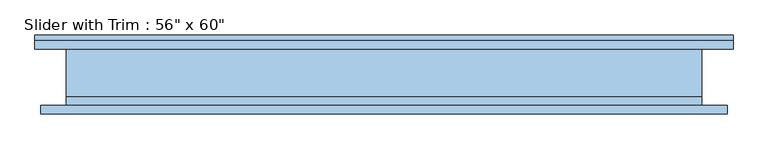
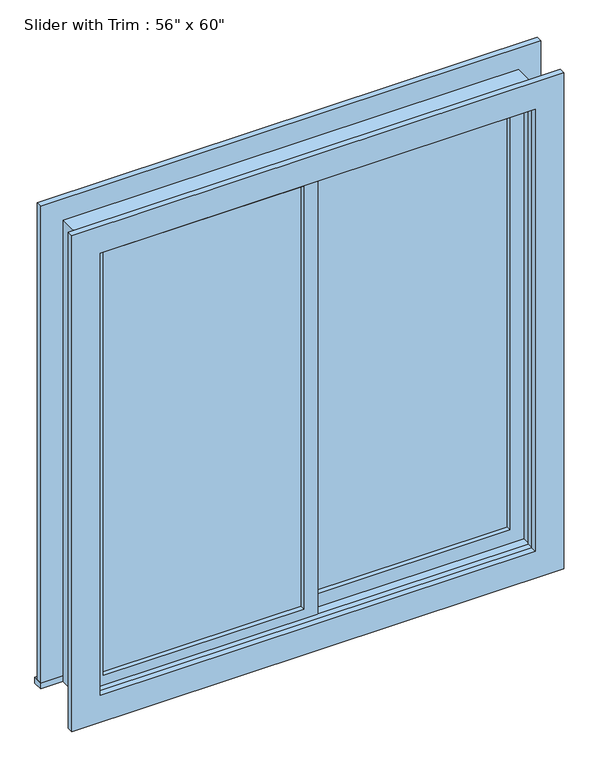
"""IFC4 building model written with IfcOpenShell, lengths in millimetres: window geometry."""

from ifc_helpers import new_model, si_unit, frame, origin, place, context, project, spatial, polyline, outline, extrude, source, transform, mapped, element, save


def window_50b8cb16(model_context):
    return source(origin(), model_context, "Body", "SweptSolid", [
        extrude(outline(polyline([(-647.7, -15.875), (-22.225, -15.875), (-22.225, -28.575), (-647.7, -28.575), (-647.7, -15.875)])), frame((0.0, 0.0, 977.9), z_axis=(0.0, 0.0, 1.0), x_axis=(1.0, 0.0, 0.0)), (0.0, 0.0, 1.0), 1397.0),
        extrude(outline(polyline([(2419.35, -692.15), (933.45, -692.15), (933.45, 22.225), (2419.35, 22.225), (2419.35, -692.15)]), holes=[polyline([(2374.9, -647.7), (2374.9, -22.225), (977.9, -22.225), (977.9, -647.7), (2374.9, -647.7)])]), frame((0.0, -44.45, 0.0), z_axis=(0.0, 1.0, 0.0), x_axis=(0.0, 0.0, 1.0)), (0.0, 0.0, 1.0), 44.45),
        extrude(outline(polyline([(-781.05, 95.25), (781.05, 95.25), (781.05, 63.5), (-781.05, 63.5), (-781.05, 95.25)])), frame((0.0, 0.0, 914.4), z_axis=(0.0, 0.0, 1.0), x_axis=(1.0, 0.0, 0.0)), (0.0, 0.0, 1.0), 19.05),
        extrude(outline(polyline([(2419.35, -692.15), (2419.35, 692.15), (933.45, 692.15), (933.45, 781.05), (2508.25, 781.05), (2508.25, -781.05), (933.45, -781.05), (933.45, -692.15), (2419.35, -692.15)])), frame((0.0, 63.5, 0.0), z_axis=(0.0, 1.0, 0.0), x_axis=(0.0, 0.0, 1.0)), (0.0, 0.0, 1.0), 19.05),
        extrude(outline(polyline([(2495.55, 768.35), (2495.55, -768.35), (857.25, -768.35), (857.25, 768.35), (2495.55, 768.35)]), holes=[polyline([(2406.65, 679.45), (946.15, 679.45), (946.15, -679.45), (2406.65, -679.45), (2406.65, 679.45)])]), frame((0.0, -82.55, 0.0), z_axis=(0.0, 1.0, 0.0), x_axis=(0.0, 0.0, 1.0)), (0.0, 0.0, 1.0), 19.05),
        extrude(outline(polyline([(647.7, 15.875), (22.225, 15.875), (22.225, 28.575), (647.7, 28.575), (647.7, 15.875)])), frame((0.0, 0.0, 977.9), z_axis=(0.0, 0.0, 1.0), x_axis=(1.0, 0.0, 0.0)), (0.0, 0.0, 1.0), 1397.0),
        extrude(outline(polyline([(2419.35, -22.225), (933.45, -22.225), (933.45, 692.15), (2419.35, 692.15), (2419.35, -22.225)]), holes=[polyline([(2374.9, 22.225), (2374.9, 647.7), (977.9, 647.7), (977.9, 22.225), (2374.9, 22.225)])]), frame((0.0, 0.0, 0.0), z_axis=(0.0, 1.0, 0.0), x_axis=(0.0, 0.0, 1.0)), (0.0, 0.0, 1.0), 44.45),
        extrude(outline(polyline([(2438.4, -711.2), (914.4, -711.2), (914.4, 711.2), (2438.4, 711.2), (2438.4, -711.2)]), holes=[polyline([(2406.65, -679.45), (2406.65, 679.45), (946.15, 679.45), (946.15, -679.45), (2406.65, -679.45)])]), frame((0.0, -63.5, 0.0), z_axis=(0.0, 1.0, 0.0), x_axis=(0.0, 0.0, 1.0)), (0.0, 0.0, 1.0), 19.05),
        extrude(outline(polyline([(2438.4, 711.2), (2438.4, -711.2), (914.4, -711.2), (914.4, 711.2), (2438.4, 711.2)]), holes=[polyline([(2419.35, 692.15), (933.45, 692.15), (933.45, -692.15), (2419.35, -692.15), (2419.35, 692.15)])]), frame((0.0, -44.45, 0.0), z_axis=(0.0, 1.0, 0.0), x_axis=(0.0, 0.0, 1.0)), (0.0, 0.0, 1.0), 107.95),
    ])


if __name__ == "__main__":
    model = new_model("IFC4")
    model_context = context("Model", 3, world=origin())
    ifc_project = project(units=[si_unit("LENGTHUNIT", "METRE", prefix="MILLI")], contexts=[model_context])
    site = spatial("IfcSite", under=ifc_project)
    building = spatial("IfcBuilding", under=site)
    placement = place(None, origin())
    window_shape = window_50b8cb16(model_context)
    element("IfcWindow", 1, ObjectType="Slider with Trim : 56\" x 60\"", at=placement, inside=building, context=model_context, shape_type="MappedRepresentation", body=[
        mapped(window_shape, transform((0.0, 0.0, 0.0), x_axis=(1.0, 0.0, 0.0), y_axis=(0.0, 1.0, 0.0), z_axis=(0.0, 0.0, 1.0))),
    ])
    save(model, "model.ifc")
